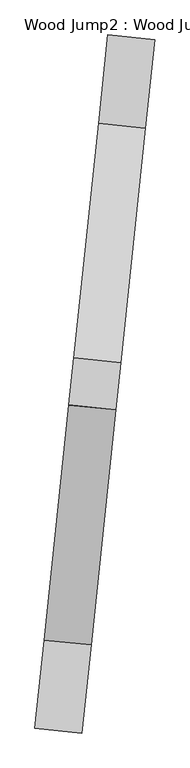
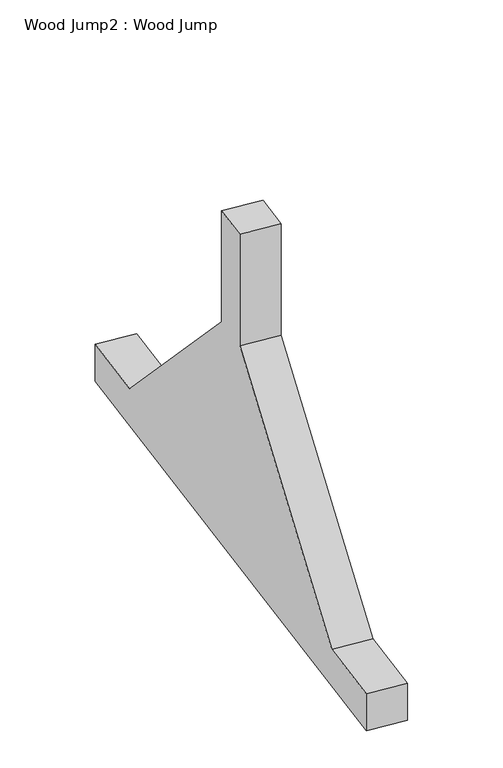
"""IFC4 building model written with IfcOpenShell, lengths in millimetres: proxy geometry, Wood Jump2 : Wood Jump."""

import ifcopenshell
import ifcopenshell.guid

model = None  # the IFC model being written
_history = None  # IfcOwnerHistory: only IFC2X3 demands one
_inside = {}  # id of a spatial element -> (the spatial element, [elements in it])
_under = {}  # id of a project, library or spatial element -> (it, [spatial elements below it])
_declared = {}  # id of a project -> (the project, [libraries it declares])
_typed = {}  # id of a type object -> (the type object, [elements of that type])
_made_of = {}  # id of a material, layer set ... -> (it, [elements and type objects made of it])


def new_model(schema):
    """Start an empty IFC model of exactly this schema.

    Asked for "IFC4X3", IfcOpenShell would pick the latest addendum, in which some entities
    have other attributes; the version numbers below select the first issue.
    IFC2X3 requires an IfcOwnerHistory on every rooted entity: one is made here for all.
    """
    global model, _history
    if schema == "IFC4X3":
        model = ifcopenshell.file(schema_version=(4, 3, 0, 0))
    else:
        model = ifcopenshell.file(schema=schema)
    _inside.clear()
    _under.clear()
    _declared.clear()
    _typed.clear()
    _made_of.clear()
    _history = None
    if model.schema == "IFC2X3":
        org = make("IfcOrganization", Name="unknown")
        user = make(
            "IfcPersonAndOrganization",
            ThePerson=make("IfcPerson", FamilyName="unknown"),
            TheOrganization=org,
        )
        app = make(
            "IfcApplication",
            ApplicationDeveloper=org,
            Version="unknown",
            ApplicationFullName="unknown",
            ApplicationIdentifier="unknown",
        )
        _history = make(
            "IfcOwnerHistory",
            OwningUser=user,
            OwningApplication=app,
            ChangeAction="ADDED",
            CreationDate=0,
        )
    return model


def make(cls, **values):
    """One entity of the class cls with the attributes given. An attribute that is None is left unset."""
    return model.create_entity(
        cls, **{name: value for name, value in values.items() if value is not None}
    )


def rooted(cls, **values):
    """An entity with a GlobalId (a new one), such as an element, a storey or a relation."""
    return make(cls, GlobalId=ifcopenshell.guid.new(), OwnerHistory=_history, **values)


def si_unit(unit_type, name, prefix=None):
    """IfcSIUnit, for example si_unit("LENGTHUNIT", "METRE", prefix="MILLI")."""
    return make("IfcSIUnit", UnitType=unit_type, Prefix=prefix, Name=name)


def assignment(units):
    """IfcUnitAssignment: the units of a project."""
    return None if units is None else make("IfcUnitAssignment", Units=units)


def point(xyz):
    """IfcCartesianPoint."""
    return None if xyz is None else make("IfcCartesianPoint", Coordinates=xyz)


def direction(xyz):
    """IfcDirection."""
    return None if xyz is None else make("IfcDirection", DirectionRatios=xyz)


def frame(location, z_axis=None, x_axis=None):
    """IfcAxis2Placement3D, a coordinate frame: its origin and axes. An axis left out is left unset."""
    return make(
        "IfcAxis2Placement3D",
        Location=point(location),
        Axis=direction(z_axis),
        RefDirection=direction(x_axis),
    )


def origin():
    """The frame at (0, 0, 0) with its axes left unset."""
    return frame((0.0, 0.0, 0.0))


def place(relative_to, where):
    """IfcLocalPlacement: puts the frame where relative to a parent placement (None: the world)."""
    return make(
        "IfcLocalPlacement", PlacementRelTo=relative_to, RelativePlacement=where
    )


def context(
    kind, dimensions, precision=None, world=None, true_north=None, identifier=None
):
    """IfcGeometricRepresentationContext, for example the 3D "Model" context."""
    return make(
        "IfcGeometricRepresentationContext",
        ContextIdentifier=identifier,
        ContextType=kind,
        CoordinateSpaceDimension=dimensions,
        Precision=precision,
        WorldCoordinateSystem=world,
        TrueNorth=true_north,
    )


def project(units=None, contexts=None):
    """IfcProject with its units and contexts."""
    return rooted(
        "IfcProject",
        Name="project",
        RepresentationContexts=contexts,
        UnitsInContext=assignment(units),
    )


def spatial(cls, under=None, at=None, **own):
    """A site, building, storey or space (cls), placed at a placement, below another one or the project."""
    s = rooted(cls, ObjectPlacement=at, **own)
    if under is not None:
        _under.setdefault(under.id(), (under, []))[1].append(s)
    return s


def polyline(points):
    """IfcPolyline through the points."""
    return make("IfcPolyline", Points=[point(p) for p in points])


def outline(outer, holes=None, kind="AREA"):
    """IfcArbitraryClosedProfileDef: a profile drawn as a closed curve; with holes, ...WithVoids."""
    if holes is None:
        return make("IfcArbitraryClosedProfileDef", ProfileType=kind, OuterCurve=outer)
    return make(
        "IfcArbitraryProfileDefWithVoids",
        ProfileType=kind,
        OuterCurve=outer,
        InnerCurves=holes,
    )


def extrude(swept, where, along, depth):
    """IfcExtrudedAreaSolid: the profile swept, set in the frame where, extruded along a direction by depth."""
    return make(
        "IfcExtrudedAreaSolid",
        SweptArea=swept,
        Position=where,
        ExtrudedDirection=direction(along),
        Depth=depth,
    )


def shape(context_of_items, identifier, shape_type, items):
    """IfcShapeRepresentation: the items that make up one representation, for example the "Body"."""
    return make(
        "IfcShapeRepresentation",
        ContextOfItems=context_of_items,
        RepresentationIdentifier=identifier,
        RepresentationType=shape_type,
        Items=items,
    )


def source(mapping_origin, context_of_items, identifier, shape_type, items):
    """IfcRepresentationMap: a shape defined once, which mapped items show again and again."""
    return make(
        "IfcRepresentationMap",
        MappingOrigin=mapping_origin,
        MappedRepresentation=shape(context_of_items, identifier, shape_type, items),
    )


def transform(
    local_origin,
    x_axis=None,
    y_axis=None,
    z_axis=None,
    scale=None,
    scale2=None,
    scale3=None,
    uniform=True,
):
    """IfcCartesianTransformationOperator3D, or its non-uniform kind. x_axis, y_axis, z_axis: its Axis1, 2, 3."""
    if uniform:
        return make(
            "IfcCartesianTransformationOperator3D",
            Axis1=direction(x_axis),
            Axis2=direction(y_axis),
            LocalOrigin=point(local_origin),
            Scale=scale,
            Axis3=direction(z_axis),
        )
    return make(
        "IfcCartesianTransformationOperator3DnonUniform",
        Axis1=direction(x_axis),
        Axis2=direction(y_axis),
        LocalOrigin=point(local_origin),
        Scale=scale,
        Axis3=direction(z_axis),
        Scale2=scale2,
        Scale3=scale3,
    )


def mapped(mapping_source, mapping_target):
    """IfcMappedItem: shows the shape of a source again, moved by a transform."""
    return make(
        "IfcMappedItem", MappingSource=mapping_source, MappingTarget=mapping_target
    )


def made_of(thing, what):
    """Note that an element or type object is made of a material, layer set ...; save() writes the relation."""
    if what is not None:
        _made_of.setdefault(what.id(), (what, []))[1].append(thing)
    return thing


def element(
    cls,
    number,
    at=None,
    inside=None,
    cuts=None,
    type_object=None,
    material=None,
    context=None,
    identifier="Body",
    shape_type=None,
    held_by="IfcProductDefinitionShape",
    body=None,
    shapes=None,
    **own,
):
    """One element of the class cls, such as IfcWall. Its Tag is "e" and its number.

    at: its placement. inside: the storey or other place that contains it. cuts: it is an
    opening in that element (IfcRelVoidsElement). A single representation is given by context,
    identifier, shape_type and body (its items); several are given by shapes. held_by: the class
    of the entity that holds the representations. save() writes the other relations.
    """
    e = rooted(cls, Tag="e%d" % number, ObjectPlacement=at, **own)
    if body is not None:
        shapes = [shape(context, identifier, shape_type, body)]
    if shapes is not None:
        e.Representation = make(held_by, Representations=shapes)
    if inside is not None:
        _inside.setdefault(inside.id(), (inside, []))[1].append(e)
    if cuts is not None:
        rooted(
            "IfcRelVoidsElement", RelatingBuildingElement=cuts, RelatedOpeningElement=e
        )
    if type_object is not None:
        _typed.setdefault(type_object.id(), (type_object, []))[1].append(e)
    return made_of(e, material)


def aggregate(whole, parts):
    """IfcRelAggregates: a whole, such as a stair, and the parts it consists of."""
    return rooted("IfcRelAggregates", RelatingObject=whole, RelatedObjects=parts)


def save(model, path):
    """Write the relations noted so far, then the file.

    IfcRelAggregates (storeys below a building ...), IfcRelContainedInSpatialStructure (elements
    in a storey), IfcRelDefinesByType, IfcRelAssociatesMaterial and IfcRelDeclares: one each for
    every whole, place, type object, material and project.
    """
    for whole, parts in _under.values():
        aggregate(whole, parts)
    for where, things in _inside.values():
        rooted(
            "IfcRelContainedInSpatialStructure",
            RelatedElements=things,
            RelatingStructure=where,
        )
    for kind, things in _typed.values():
        rooted("IfcRelDefinesByType", RelatedObjects=things, RelatingType=kind)
    for what, things in _made_of.values():
        rooted("IfcRelAssociatesMaterial", RelatedObjects=things, RelatingMaterial=what)
    for by, libraries in _declared.values():
        rooted("IfcRelDeclares", RelatingContext=by, RelatedDefinitions=libraries)
    model.write(path)


def wood_jump2_wood_jump_9707d810(model_context):
    return source(origin(), model_context, "Body", "SweptSolid", [
        extrude(outline(polyline([(-1498.6, 0.0), (0.0, 0.0), (0.0, -101.6), (-190.4999999, -101.6), (-698.5, -609.6), (-698.5, -914.4), (-800.0999999, -914.4), (-800.0999999, -609.6), (-1308.1, -101.6), (-1498.6, -101.6), (-1498.6, 0.0)])), frame((134270.1549257, 15758.3821228, 0.0), z_axis=(-0.9945218953682713, 0.10452846326767276, 0.0), x_axis=(0.10452846326767276, 0.9945218953682713, 0.0)), (0.0, 0.0, 1.0), 101.6),
    ])


if __name__ == "__main__":
    model = new_model("IFC4")
    model_context = context("Model", 3, world=origin())
    ifc_project = project(units=[si_unit("LENGTHUNIT", "METRE", prefix="MILLI")], contexts=[model_context])
    site = spatial("IfcSite", under=ifc_project)
    building = spatial("IfcBuilding", under=site)
    placement = place(None, origin())
    wood_jump2_wood_jump_shape = wood_jump2_wood_jump_9707d810(model_context)
    element("IfcBuildingElementProxy", 1, Name="Wood Jump2 : Wood Jump", ObjectType="Wood Jump2 : Wood Jump", at=placement, inside=building, context=model_context, shape_type="MappedRepresentation", body=[
        mapped(wood_jump2_wood_jump_shape, transform((0.0, 0.0, 0.0), x_axis=(1.0, 0.0, 0.0), y_axis=(0.0, 1.0, 0.0), z_axis=(0.0, 0.0, 1.0))),
    ])
    save(model, "model.ifc")
